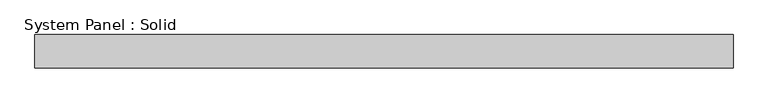
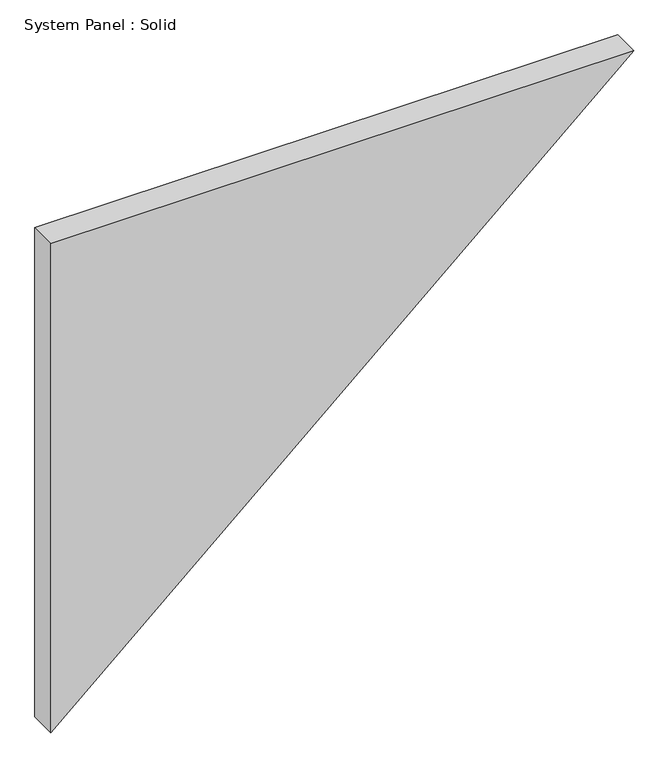
"""IFC4 building model written with IfcOpenShell, lengths in millimetres: plate geometry, System Panel : Solid."""

from ifc_helpers import new_model, si_unit, frame, origin, place, context, project, spatial, polyline, outline, extrude, source, transform, mapped, element, save


def system_panel_solid_0047d35c(model_context):
    return source(origin(), model_context, "Body", "SweptSolid", [
        extrude(outline(polyline([(1120.2313398, -631.3330497), (0.0, -631.3330497), (1120.2313398, 631.3330497), (1120.2313398, -631.3330497)])), frame((0.0, -10.5, 0.0), z_axis=(0.0, 1.0, 0.0), x_axis=(0.0, 0.0, 1.0)), (0.0, 0.0, 1.0), 60.0),
    ])


if __name__ == "__main__":
    model = new_model("IFC4")
    model_context = context("Model", 3, world=origin())
    ifc_project = project(units=[si_unit("LENGTHUNIT", "METRE", prefix="MILLI")], contexts=[model_context])
    site = spatial("IfcSite", under=ifc_project)
    building = spatial("IfcBuilding", under=site)
    placement = place(None, origin())
    system_panel_solid_shape = system_panel_solid_0047d35c(model_context)
    element("IfcPlate", 1, ObjectType="System Panel : Solid", at=placement, inside=building, context=model_context, shape_type="MappedRepresentation", body=[
        mapped(system_panel_solid_shape, transform((0.0, 0.0, 0.0), x_axis=(1.0, 0.0, 0.0), y_axis=(0.0, 1.0, 0.0), z_axis=(0.0, 0.0, 1.0))),
    ])
    save(model, "model.ifc")
